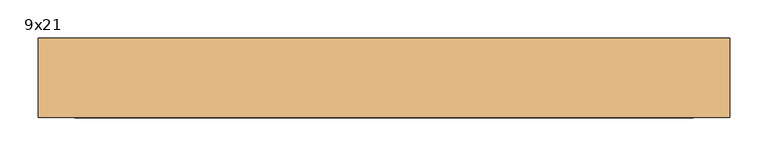
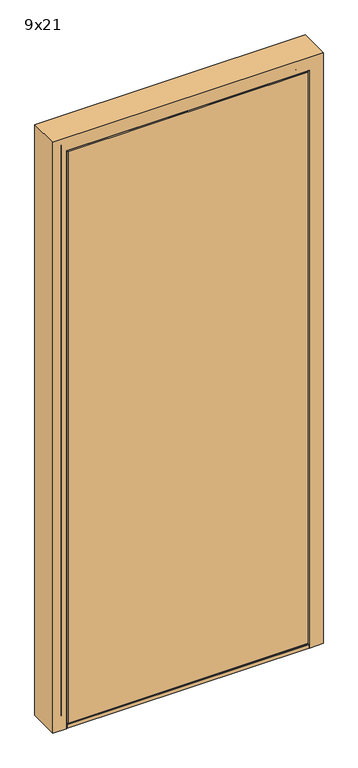
"""IFC4 building model written with IfcOpenShell, lengths in millimetres: door geometry, 9x21."""

from ifc_helpers import new_model, si_unit, frame, origin, place, context, project, spatial, polyline, circle_curve, ellipse_curve, faceted_brep, source, transform, mapped, element, save
from ifc_brep_helpers import plane_surface, cylinder_surface, revolved_surface, advanced_brep


def door_9x21_f053426a(model_context):
    return source(origin(), model_context, "Body", "SolidModel", [
        advanced_brep(
        [(500.0, -185.0, 0.0), (454.0, -185.0, 0.0), (452.0, -183.0, 0.0), (452.0, -143.0, 0.0), (438.0, -143.0, 0.0), (436.0, -141.0, 0.0), (436.0, -82.0, 0.0), (438.0, -80.0, 0.0), (500.0, -80.0, 0.0), (500.0, -80.0, 2100.0), (500.0, -185.0, 2100.0), (438.0, -80.0, 2038.0), (-348.0, -80.0, 2038.0), (-348.0, -80.0, 0.0), (-410.0, -80.0, 0.0), (-410.0, -80.0, 2100.0), (436.0, -82.0, 2036.0), (436.0, -141.0, 2036.0), (438.0, -143.0, 2038.0), (452.0, -143.0, 2052.0), (-362.0, -143.0, 2052.0), (-362.0, -143.0, 0.0), (-348.0, -143.0, 0.0), (-348.0, -143.0, 2038.0), (452.0, -183.0, 2052.0), (454.0, -185.0, 2054.0), (-410.0, -185.0, 2100.0), (-410.0, -185.0, 0.0), (-364.0, -185.0, 0.0), (-364.0, -185.0, 2054.0), (-346.0, -82.0, 0.0), (-346.0, -141.0, 0.0), (-362.0, -183.0, 0.0), (-346.0, -82.0, 2036.0), (-346.0, -141.0, 2036.0), (-362.0, -183.0, 2052.0)],
        [
            (0, 1),
            (1, 2, circle_curve(frame((454.0, -183.0, 0.0), z_axis=(0.0, 0.0, -1.0), x_axis=(0.0, 1.0, 0.0)), 2.0)),
            (2, 3),
            (3, 4),
            (4, 5, circle_curve(frame((438.0, -141.0, 0.0), z_axis=(0.0, 0.0, -1.0), x_axis=(0.0, 1.0, 0.0)), 2.0)),
            (5, 6),
            (6, 7, circle_curve(frame((438.0, -82.0, 0.0), z_axis=(0.0, 0.0, -1.0), x_axis=(0.0, 1.0, 0.0)), 2.0)),
            (7, 8),
            (8, 0),
            (8, 9),
            (9, 10),
            (10, 0),
            (7, 11),
            (11, 12),
            (12, 13),
            (13, 14),
            (14, 15),
            (15, 9),
            (6, 16),
            (16, 11, ellipse_curve(frame((438.0, -82.0, 2038.0), z_axis=(0.7071067811865475, 0.0, -0.7071067811865475), x_axis=(-0.7071067811865474, 0.0, -0.7071067811865476)), 2.8284271, 2.0)),
            (5, 17),
            (17, 16),
            (4, 18),
            (18, 17, ellipse_curve(frame((438.0, -141.0, 2038.0), z_axis=(0.7071067811865475, 0.0, -0.7071067811865475), x_axis=(-0.7071067811865474, 0.0, -0.7071067811865476)), 2.8284271, 2.0)),
            (3, 19),
            (19, 20),
            (20, 21),
            (21, 22),
            (22, 23),
            (23, 18),
            (2, 24),
            (24, 19),
            (1, 25),
            (25, 24, ellipse_curve(frame((454.0, -183.0, 2054.0), z_axis=(0.7071067811865475, 0.0, -0.7071067811865475), x_axis=(-0.7071067811865474, 0.0, -0.7071067811865476)), 2.8284271, 2.0)),
            (10, 26),
            (26, 27),
            (27, 28),
            (28, 29),
            (29, 25),
            (14, 27),
            (26, 15),
            (13, 30, circle_curve(frame((-348.0, -82.0, 0.0), z_axis=(0.0, 0.0, -1.0), x_axis=(0.0, 1.0, 0.0)), 2.0)),
            (30, 31),
            (31, 22, circle_curve(frame((-348.0, -141.0, 0.0), z_axis=(0.0, 0.0, -1.0), x_axis=(0.0, 1.0, 0.0)), 2.0)),
            (21, 32),
            (32, 28, circle_curve(frame((-364.0, -183.0, 0.0), z_axis=(0.0, 0.0, -1.0), x_axis=(0.0, 1.0, 0.0)), 2.0)),
            (33, 30),
            (12, 33, ellipse_curve(frame((-348.0, -82.0, 2038.0), z_axis=(-0.7071067811865475, 0.0, -0.7071067811865475), x_axis=(-0.7071067811865474, 0.0, 0.7071067811865476)), 2.8284271, 2.0)),
            (31, 34),
            (34, 23, ellipse_curve(frame((-348.0, -141.0, 2038.0), z_axis=(-0.7071067811865475, 0.0, -0.7071067811865475), x_axis=(-0.7071067811865474, 0.0, 0.7071067811865476)), 2.8284271, 2.0)),
            (35, 32),
            (20, 35),
            (35, 29, ellipse_curve(frame((-364.0, -183.0, 2054.0), z_axis=(-0.7071067811865475, 0.0, -0.7071067811865475), x_axis=(-0.7071067811865474, 0.0, 0.7071067811865476)), 2.8284271, 2.0)),
            (33, 34),
            (16, 33),
            (17, 34),
            (24, 35),
        ],
        [
            plane_surface(frame((500.0, -185.0, 0.0), z_axis=(0.0, 0.0, -1.0), x_axis=(0.0, 1.0, 0.0))),
            plane_surface(frame((500.0, -185.0, 0.0), z_axis=(1.0, 0.0, 0.0), x_axis=(0.0, 0.0, 1.0))),
            plane_surface(frame((500.0, -80.0, 0.0), z_axis=(0.0, 1.0, 0.0), x_axis=(0.0, 0.0, 1.0))),
            cylinder_surface(frame((438.0, -82.0, 0.0), z_axis=(0.0, 0.0, -1.0), x_axis=(0.0, 1.0, 0.0)), 2.0),
            plane_surface(frame((436.0, -82.0, 0.0), z_axis=(-1.0, 0.0, 0.0), x_axis=(0.0, 0.0, 1.0))),
            cylinder_surface(frame((438.0, -141.0, 0.0), z_axis=(0.0, 0.0, -1.0), x_axis=(0.0, 1.0, 0.0)), 2.0),
            plane_surface(frame((438.0, -143.0, 0.0), z_axis=(0.0, -1.0, 0.0), x_axis=(0.0, 0.0, 1.0))),
            plane_surface(frame((452.0, -143.0, 0.0), z_axis=(-1.0, 0.0, 0.0), x_axis=(0.0, 0.0, 1.0))),
            cylinder_surface(frame((454.0, -183.0, 0.0), z_axis=(0.0, 0.0, -1.0), x_axis=(0.0, 1.0, 0.0)), 2.0),
            plane_surface(frame((454.0, -185.0, 0.0), z_axis=(0.0, -1.0, 0.0), x_axis=(0.0, 0.0, 1.0))),
            plane_surface(frame((-410.0, -185.0, 2100.0), z_axis=(-1.0, 0.0, 0.0), x_axis=(0.0, 0.0, -1.0))),
            plane_surface(frame((-410.0, -185.0, 0.0), z_axis=(0.0, 0.0, -1.0), x_axis=(0.0, 1.0, 0.0))),
            cylinder_surface(frame((-348.0, -82.0, 2100.0), z_axis=(0.0, 0.0, 1.0), x_axis=(0.0, 1.0, 0.0)), 2.0),
            cylinder_surface(frame((-348.0, -141.0, 2100.0), z_axis=(0.0, 0.0, 1.0), x_axis=(0.0, 1.0, 0.0)), 2.0),
            plane_surface(frame((-362.0, -143.0, 2052.0), z_axis=(1.0, 0.0, 0.0), x_axis=(0.0, 0.0, -1.0))),
            cylinder_surface(frame((-364.0, -183.0, 2100.0), z_axis=(0.0, 0.0, 1.0), x_axis=(0.0, 1.0, 0.0)), 2.0),
            plane_surface(frame((-346.0, -82.0, 2036.0), z_axis=(1.0, 0.0, 0.0), x_axis=(0.0, 0.0, -1.0))),
            plane_surface(frame((500.0, -185.0, 2100.0), z_axis=(0.0, 0.0, 1.0), x_axis=(-1.0, 0.0, 0.0))),
            cylinder_surface(frame((500.0, -82.0, 2038.0), z_axis=(1.0, 0.0, 0.0), x_axis=(0.0, 1.0, 0.0)), 2.0),
            plane_surface(frame((436.0, -82.0, 2036.0), z_axis=(0.0, 0.0, -1.0), x_axis=(-1.0, 0.0, 0.0))),
            cylinder_surface(frame((500.0, -141.0, 2038.0), z_axis=(1.0, 0.0, 0.0), x_axis=(0.0, 1.0, 0.0)), 2.0),
            plane_surface(frame((452.0, -143.0, 2052.0), z_axis=(0.0, 0.0, -1.0), x_axis=(-1.0, 0.0, 0.0))),
            cylinder_surface(frame((500.0, -183.0, 2054.0), z_axis=(1.0, 0.0, 0.0), x_axis=(0.0, 1.0, 0.0)), 2.0),
        ],
        [
            (0, [[1, 2, 3, 4, 5, 6, 7, 8, 9]]),
            (1, [[10, 11, 12, -9]]),
            (2, [[13, 14, 15, 16, 17, 18, -10, -8]]),
            (3, [[19, 20, -13, -7]]),
            (4, [[21, 22, -19, -6]]),
            (5, [[23, 24, -21, -5]]),
            (6, [[25, 26, 27, 28, 29, 30, -23, -4]]),
            (7, [[31, 32, -25, -3]]),
            (8, [[33, 34, -31, -2]]),
            (9, [[-12, 35, 36, 37, 38, 39, -33, -1]]),
            (10, [[-17, 40, -36, 41]]),
            (11, [[-40, -16, 42, 43, 44, -28, 45, 46, -37]]),
            (12, [[47, -42, -15, 48]]),
            (13, [[-29, -44, 49, 50]]),
            (14, [[51, -45, -27, 52]]),
            (15, [[-38, -46, -51, 53]]),
            (16, [[-49, -43, -47, 54]]),
            (17, [[-18, -41, -35, -11]]),
            (18, [[55, -48, -14, -20]]),
            (19, [[56, -54, -55, -22]]),
            (20, [[-30, -50, -56, -24]]),
            (21, [[57, -52, -26, -32]]),
            (22, [[-39, -53, -57, -34]]),
        ],
    ),
        advanced_brep(
        [(-362.0, -143.0, 15.0), (-362.0, -143.0, 0.0), (-362.0, -185.0, 0.0), (-362.0, -185.0, 13.0), (-362.0, -183.0, 15.0), (452.0, -185.0, 0.0), (452.0, -143.0, 0.0), (452.0, -143.0, 15.0), (452.0, -183.0, 15.0), (452.0, -185.0, 13.0), (-346.0, -82.0, 27.0), (-346.0, -141.0, 27.0), (436.0, -141.0, 27.0), (436.0, -82.0, 27.0), (-346.0, -143.0, 25.0), (-346.0, -143.0, 15.0), (436.0, -143.0, 15.0), (436.0, -143.0, 25.0), (-346.0, -143.0, 0.0), (-346.0, -80.0, 0.0), (436.0, -80.0, 0.0), (436.0, -143.0, 0.0), (-346.0, -80.0, 25.0), (436.0, -80.0, 25.0)],
        [
            (0, 1),
            (1, 2),
            (2, 3),
            (3, 4, circle_curve(frame((-362.0, -183.0, 13.0), z_axis=(-1.0, 0.0, 0.0), x_axis=(0.0, 1.0, 0.0)), 2.0)),
            (4, 0),
            (5, 6),
            (6, 7),
            (7, 8),
            (8, 9, circle_curve(frame((452.0, -183.0, 13.0), z_axis=(1.0, 0.0, 0.0), x_axis=(0.0, 1.0, 0.0)), 2.0)),
            (9, 5),
            (10, 11),
            (11, 12),
            (12, 13),
            (13, 10),
            (14, 15),
            (15, 16),
            (16, 17),
            (17, 14),
            (4, 8),
            (7, 16),
            (15, 0),
            (2, 5),
            (9, 3),
            (1, 18),
            (18, 19),
            (19, 20),
            (20, 21),
            (21, 6),
            (19, 22),
            (22, 23),
            (23, 20),
            (23, 13, circle_curve(frame((436.0, -82.0, 25.0), z_axis=(1.0, 0.0, 0.0), x_axis=(0.0, 1.0, 0.0)), 2.0)),
            (12, 17, circle_curve(frame((436.0, -141.0, 25.0), z_axis=(1.0, 0.0, 0.0), x_axis=(0.0, 1.0, 0.0)), 2.0)),
            (16, 21),
            (15, 18),
            (14, 11, circle_curve(frame((-346.0, -141.0, 25.0), z_axis=(-1.0, 0.0, 0.0), x_axis=(0.0, 1.0, 0.0)), 2.0)),
            (10, 22, circle_curve(frame((-346.0, -82.0, 25.0), z_axis=(-1.0, 0.0, 0.0), x_axis=(0.0, 1.0, 0.0)), 2.0)),
        ],
        [
            plane_surface(frame((-362.0, -80.0, 25.0), z_axis=(-1.0, 0.0, 0.0), x_axis=(0.0, 0.0, 1.0))),
            plane_surface(frame((452.0, -80.0, 25.0), z_axis=(1.0, 0.0, 0.0), x_axis=(0.0, 0.0, -1.0))),
            plane_surface(frame((-362.0, -82.0, 27.0), z_axis=(0.0, 0.0, 1.0), x_axis=(1.0, 0.0, 0.0))),
            plane_surface(frame((-362.0, -143.0, 25.0), z_axis=(0.0, -1.0, 0.0), x_axis=(1.0, 0.0, 0.0))),
            plane_surface(frame((-362.0, -143.0, 15.0), z_axis=(0.0, 0.0, 1.0), x_axis=(1.0, 0.0, 0.0))),
            plane_surface(frame((-362.0, -185.0, 13.0), z_axis=(0.0, -1.0, 0.0), x_axis=(1.0, 0.0, 0.0))),
            plane_surface(frame((-362.0, -185.0, 0.0), z_axis=(0.0, 0.0, -1.0), x_axis=(1.0, 0.0, 0.0))),
            plane_surface(frame((-362.0, -80.0, 0.0), z_axis=(0.0, 1.0, 0.0), x_axis=(1.0, 0.0, 0.0))),
            plane_surface(frame((436.0, -143.0, 27.0), z_axis=(1.0, 0.0, 0.0), x_axis=(0.0, 0.0, -1.0))),
            plane_surface(frame((452.0, -143.0, 27.0), z_axis=(0.0, 1.0, 0.0), x_axis=(0.0, 0.0, -1.0))),
            plane_surface(frame((-346.0, -143.0, 27.0), z_axis=(0.0, 1.0, 0.0), x_axis=(0.0, 0.0, -1.0))),
            plane_surface(frame((-346.0, -80.0, 27.0), z_axis=(-1.0, 0.0, 0.0), x_axis=(0.0, 0.0, -1.0))),
            cylinder_surface(frame((452.0, -82.0, 25.0), z_axis=(-1.0, 0.0, 0.0), x_axis=(0.0, 1.0, 0.0)), 2.0),
            cylinder_surface(frame((452.0, -141.0, 25.0), z_axis=(-1.0, 0.0, 0.0), x_axis=(0.0, 1.0, 0.0)), 2.0),
            cylinder_surface(frame((452.0, -183.0, 13.0), z_axis=(-1.0, 0.0, 0.0), x_axis=(0.0, 1.0, 0.0)), 2.0),
        ],
        [
            (0, [[1, 2, 3, 4, 5]]),
            (1, [[6, 7, 8, 9, 10]]),
            (2, [[11, 12, 13, 14]]),
            (3, [[15, 16, 17, 18]]),
            (4, [[19, -8, 20, -16, 21, -5]]),
            (5, [[22, -10, 23, -3]]),
            (6, [[-2, 24, 25, 26, 27, 28, -6, -22]]),
            (7, [[29, 30, 31, -26]]),
            (8, [[-27, -31, 32, -13, 33, -17, 34]]),
            (9, [[-20, -7, -28, -34]]),
            (10, [[-24, -1, -21, 35]]),
            (11, [[-15, 36, -11, 37, -29, -25, -35]]),
            (12, [[-32, -30, -37, -14]]),
            (13, [[-33, -12, -36, -18]]),
            (14, [[-23, -9, -19, -4]]),
        ],
    ),
        faceted_brep([(450.0468149, -147.5, 18.0), (450.0468149, -179.5, 18.0), (448.9468149, -185.0, 18.0), (-358.9468149, -185.0, 18.0), (-360.0468149, -179.5, 18.0), (-360.0468149, -147.5, 18.0), (450.0468149, -147.5, 2049.0), (-360.0468149, -147.5, 2049.0), (-340.0, -147.5, 2029.0), (-340.0, -147.5, 38.0), (430.0, -147.5, 38.0), (430.0, -147.5, 2029.0), (-360.0468149, -179.5, 2049.0), (-358.9468149, -185.0, 2049.0), (448.9468149, -185.0, 2049.0), (450.0468149, -179.5, 2049.0), (-346.0, -123.0, 2035.0), (436.0, -123.0, 2035.0), (436.0, -123.0, 32.0), (-346.0, -123.0, 32.0), (-346.0, -144.5, 2035.0), (-346.0, -144.5, 32.0), (436.0, -144.5, 32.0), (436.0, -144.5, 2035.0), (430.0, -144.5, 2029.0), (430.0, -144.5, 38.0), (-340.0, -144.5, 38.0), (-340.0, -144.5, 2029.0)], [[[0, 1, 2, 3, 4, 5]], [[6, 0, 5, 7], [8, 9, 10, 11]], [[5, 4, 12, 7]], [[12, 4, 3, 13]], [[13, 3, 2, 14]], [[14, 2, 1, 15]], [[15, 1, 0, 6]], [[16, 17, 18, 19]], [[20, 16, 19, 21]], [[22, 18, 17, 23]], [[7, 12, 13, 14, 15, 6]], [[18, 22, 21, 19]], [[23, 20, 21, 22], [24, 25, 26, 27]], [[11, 10, 25, 24]], [[26, 25, 10, 9]], [[27, 26, 9, 8]], [[11, 24, 27, 8]], [[16, 20, 23, 17]]]),
        advanced_brep(
        [(442.5468149, -143.0, 2041.5468149), (442.5468149, -143.0, 25.4531851), (441.0468149, -141.5, 26.9531851), (441.0468149, -141.5, 2040.0468149), (-352.5468149, -143.0, 25.4531851), (-351.0468149, -141.5, 26.9531851), (-350.8263343, -139.1541825, 27.1736657), (440.8263343, -139.1541825, 27.1736657), (-352.5468149, -143.0, 2041.5468149), (-351.0468149, -141.5, 2040.0468149), (448.2207885, -143.3010724, 19.7792115), (-358.2207885, -143.3010724, 19.7792115), (448.2207885, -143.3010724, 2047.2207885), (-358.2207885, -143.3010724, 2047.2207885), (447.5213131, -147.2481121, 20.4786869), (-357.5213131, -147.2481121, 20.4786869), (447.5213131, -147.2481121, 2046.5213131), (-357.5213131, -147.2481121, 2046.5213131), (440.489551, -147.4434505, 27.510449), (-350.489551, -147.4434505, 27.510449), (440.489551, -147.4434505, 2039.489551), (-350.489551, -147.4434505, 2039.489551), (431.0702573, -147.4434505, 36.9297427), (-341.0702573, -147.4434505, 36.9297427), (-341.0702573, -147.4434505, 2030.0702573), (431.0702573, -147.4434505, 2030.0702573), (430.377437, -146.2434505, 2029.377437), (430.377437, -146.2434505, 37.622563), (-340.377437, -146.2434505, 37.622563), (-340.377437, -146.2434505, 2029.377437), (431.3840186, -144.5, 36.6159814), (-341.3840186, -144.5, 36.6159814), (431.3840186, -144.5, 2030.3840186), (-341.3840186, -144.5, 2030.3840186), (436.0, -144.5, 32.0), (-346.0, -144.5, 32.0), (-346.0, -144.5, 2035.0), (436.0, -144.5, 2035.0), (436.0, -142.4762942, 2035.0), (436.0, -142.4762942, 32.0), (-346.0, -142.4762942, 32.0), (-346.0, -142.4762942, 2035.0), (436.0798941, -138.9043699, 31.9201059), (-346.0798941, -138.9043699, 31.9201059), (436.0798941, -138.9043699, 2035.0798941), (-346.0798941, -138.9043699, 2035.0798941), (440.8263343, -139.1541825, 2039.8263343), (-350.8263343, -139.1541825, 2039.8263343)],
        [
            (0, 1),
            (1, 2, ellipse_curve(frame((442.5468149, -141.5, 25.4531851), z_axis=(-0.7071067811865475, 0.0, -0.7071067811865475), x_axis=(0.7071067811865474, 0.0, -0.7071067811865476)), 2.1213203, 1.5)),
            (2, 3),
            (3, 0, ellipse_curve(frame((442.5468149, -141.5, 2041.5468149), z_axis=(-0.7071067811865475, 0.0, 0.7071067811865475), x_axis=(-0.7071067811865474, 0.0, -0.7071067811865476)), 2.1213203, 1.5)),
            (1, 4),
            (4, 5, ellipse_curve(frame((-352.5468149, -141.5, 25.4531851), z_axis=(-0.7071067811865475, 0.0, 0.7071067811865475), x_axis=(-0.7071067811865476, 0.0, -0.7071067811865474)), 2.1213203, 1.5)),
            (5, 2),
            (5, 6),
            (6, 7),
            (7, 2),
            (4, 8),
            (8, 9, ellipse_curve(frame((-352.5468149, -141.5, 2041.5468149), z_axis=(0.7071067811865475, 0.0, 0.7071067811865475), x_axis=(-0.7071067811865474, 0.0, 0.7071067811865476)), 2.1213203, 1.5)),
            (9, 5),
            (10, 11),
            (11, 4),
            (1, 10),
            (12, 10),
            (0, 12),
            (11, 13),
            (13, 8),
            (14, 15),
            (15, 11, ellipse_curve(frame((-357.4757363, -145.2045365, 20.5242637), z_axis=(0.7071067811865475, 0.0, -0.7071067811865475), x_axis=(0.7071067811865476, 0.0, 0.7071067811865474)), 2.890771, 2.0440838)),
            (10, 14, ellipse_curve(frame((447.4757363, -145.2045365, 20.5242637), z_axis=(-0.7071067811865475, 0.0, -0.7071067811865475), x_axis=(0.7071067811865476, 0.0, -0.7071067811865474)), 2.890771, 2.0440838)),
            (16, 14),
            (12, 16, ellipse_curve(frame((447.4757363, -145.2045365, 2046.4757363), z_axis=(0.7071067811865475, 0.0, -0.7071067811865475), x_axis=(0.7071067811865474, 0.0, 0.7071067811865476)), 2.890771, 2.0440838)),
            (15, 17),
            (17, 13, ellipse_curve(frame((-357.4757363, -145.2045365, 2046.4757363), z_axis=(-0.7071067811865475, 0.0, -0.7071067811865475), x_axis=(0.7071067811865474, 0.0, -0.7071067811865476)), 2.890771, 2.0440838)),
            (18, 19),
            (19, 15),
            (14, 18),
            (20, 18),
            (16, 20),
            (19, 21),
            (21, 17),
            (20, 21),
            (22, 23),
            (23, 24),
            (24, 25),
            (25, 22),
            (26, 27),
            (27, 22, ellipse_curve(frame((431.0702573, -146.6434505, 36.9297427), z_axis=(0.7071067811865475, 0.0, 0.7071067811865475), x_axis=(-0.7071067811865474, 0.0, 0.7071067811865476)), 1.1313708, 0.8)),
            (25, 26, ellipse_curve(frame((431.0702573, -146.6434505, 2030.0702573), z_axis=(0.7071067811865475, 0.0, -0.7071067811865475), x_axis=(0.7071067811865474, 0.0, 0.7071067811865476)), 1.1313708, 0.8)),
            (27, 28),
            (28, 23, ellipse_curve(frame((-341.0702573, -146.6434505, 36.9297427), z_axis=(0.7071067811865475, 0.0, -0.7071067811865475), x_axis=(0.7071067811865476, 0.0, 0.7071067811865474)), 1.1313708, 0.8)),
            (28, 29),
            (29, 24, ellipse_curve(frame((-341.0702573, -146.6434505, 2030.0702573), z_axis=(-0.7071067811865475, 0.0, -0.7071067811865475), x_axis=(0.7071067811865474, 0.0, -0.7071067811865476)), 1.1313708, 0.8)),
            (30, 31),
            (31, 28),
            (27, 30),
            (32, 30),
            (26, 32),
            (31, 33),
            (33, 29),
            (34, 35),
            (35, 36),
            (36, 37),
            (37, 34),
            (32, 33),
            (38, 39),
            (39, 34),
            (37, 38),
            (39, 40),
            (40, 35),
            (40, 41),
            (41, 36),
            (42, 43),
            (43, 40),
            (39, 42),
            (44, 42),
            (38, 44),
            (43, 45),
            (45, 41),
            (6, 43, ellipse_curve(frame((-348.4085978, -139.8750873, 29.5914022), z_axis=(0.7071067811865475, 0.0, -0.7071067811865475), x_axis=(0.7071067811865476, 0.0, 0.7071067811865474)), 3.5679555, 2.5229256)),
            (42, 7, ellipse_curve(frame((438.4085978, -139.8750873, 29.5914022), z_axis=(-0.7071067811865475, 0.0, -0.7071067811865475), x_axis=(0.7071067811865476, 0.0, -0.7071067811865474)), 3.5679555, 2.5229256)),
            (46, 7),
            (44, 46, ellipse_curve(frame((438.4085978, -139.8750873, 2037.4085978), z_axis=(0.7071067811865475, 0.0, -0.7071067811865475), x_axis=(0.7071067811865474, 0.0, 0.7071067811865476)), 3.5679555, 2.5229256)),
            (6, 47),
            (47, 45, ellipse_curve(frame((-348.4085978, -139.8750873, 2037.4085978), z_axis=(-0.7071067811865475, 0.0, -0.7071067811865475), x_axis=(0.7071067811865474, 0.0, -0.7071067811865476)), 3.5679555, 2.5229256)),
            (46, 3),
            (9, 47),
            (8, 0),
            (3, 9),
            (13, 12),
            (17, 16),
            (29, 26),
            (41, 38),
            (45, 44),
            (47, 46),
        ],
        [
            revolved_surface(polyline([(442.5468149, -143.0, 23.95318513080133), (442.5468149, -143.0, 2043.0468148691987)]), (442.5468149, -141.5, 2025.5), (0.0, 0.0, -1.0)),
            revolved_surface(polyline([(-354.04681486919924, -143.0, 25.4531851), (444.0468148691987, -143.0, 25.4531851)]), (426.5, -141.5, 25.4531851), (-1.0000000000000002, 0.0, 0.0)),
            plane_surface(frame((440.8263343, -139.1541825, 27.1736657), z_axis=(0.0, 0.09357641007084004, -0.9956121009099146), x_axis=(-1.0, 0.0, 0.0))),
            revolved_surface(polyline([(-352.5468149, -143.0, 2043.0468148691987), (-352.5468149, -143.0, 23.95318513080132)]), (-352.5468149, -141.5, 41.5), (0.0, 0.0, 1.0)),
            plane_surface(frame((442.5468149, -143.0, 25.4531851), z_axis=(0.0, 0.9985951781835676, -0.05298745236873386), x_axis=(-1.0, 0.0, 0.0))),
            plane_surface(frame((442.5468149, -143.0, 2041.5468149), z_axis=(0.05298745236873669, 0.9985951781835675, 0.0), x_axis=(0.0, 0.0, -1.0))),
            plane_surface(frame((-352.5468149, -143.0, 25.4531851), z_axis=(-0.05298745236873101, 0.9985951781835678, 0.0), x_axis=(0.0, 0.0, 1.0))),
            cylinder_surface(frame((426.5, -145.2045365, 20.5242637), z_axis=(1.0000000000000002, 0.0, 0.0), x_axis=(0.0, -1.0000000000000002, 0.0)), 2.0440838),
            cylinder_surface(frame((447.4757363, -145.2045365, 2025.5), z_axis=(0.0, 0.0, 1.0), x_axis=(0.0, -1.0000000000000002, 0.0)), 2.0440838),
            cylinder_surface(frame((-357.4757363, -145.2045365, 41.5), z_axis=(0.0, 0.0, -1.0), x_axis=(0.0, -1.0000000000000002, 0.0)), 2.0440838),
            plane_surface(frame((447.5213131, -147.2481121, 20.4786869), z_axis=(0.0, -0.9996143745976422, -0.027768725173559834), x_axis=(-1.0, 0.0, 0.0))),
            plane_surface(frame((447.5213131, -147.2481121, 2046.5213131), z_axis=(0.027768725173556986, -0.9996143745976424, 0.0), x_axis=(0.0, 0.0, -1.0))),
            plane_surface(frame((-357.5213131, -147.2481121, 20.4786869), z_axis=(-0.02776872517356267, -0.9996143745976421, 0.0), x_axis=(0.0, 0.0, 1.0))),
            plane_surface(frame((440.489551, -147.4434505, 2039.489551), z_axis=(0.0, -1.0, 0.0), x_axis=(0.0, 0.0, -1.0))),
            cylinder_surface(frame((431.0702573, -146.6434505, 2025.5), z_axis=(0.0, 0.0, 1.0), x_axis=(0.0, -1.0000000000000002, 0.0)), 0.8),
            cylinder_surface(frame((426.5, -146.6434505, 36.9297427), z_axis=(1.0000000000000002, 0.0, 0.0), x_axis=(0.0, -1.0000000000000002, 0.0)), 0.8),
            cylinder_surface(frame((-341.0702573, -146.6434505, 41.5), z_axis=(0.0, 0.0, -1.0), x_axis=(0.0, -1.0000000000000002, 0.0)), 0.8),
            plane_surface(frame((430.377437, -146.2434505, 37.622563), z_axis=(0.0, 0.49999999999999006, 0.8660254037844444), x_axis=(-1.0, 0.0, 0.0))),
            plane_surface(frame((430.377437, -146.2434505, 2029.377437), z_axis=(-0.8660254037844429, 0.4999999999999926, 0.0), x_axis=(0.0, 0.0, -1.0))),
            plane_surface(frame((-340.377437, -146.2434505, 37.622563), z_axis=(0.8660254037844458, 0.49999999999998773, 0.0), x_axis=(0.0, 0.0, 1.0))),
            plane_surface(frame((431.3840186, -144.5, 2030.3840186), z_axis=(0.0, 1.0, 0.0), x_axis=(0.0, 0.0, -1.0))),
            plane_surface(frame((436.0, -144.5, 2035.0), z_axis=(-1.0, 0.0, 0.0), x_axis=(0.0, 0.0, -1.0))),
            plane_surface(frame((436.0, -144.5, 32.0), z_axis=(0.0, 0.0, 1.0), x_axis=(-1.0, 0.0, 0.0))),
            plane_surface(frame((-346.0, -144.5, 32.0), z_axis=(1.0, 0.0, 0.0), x_axis=(0.0, 0.0, 1.0))),
            plane_surface(frame((436.0, -142.4762942, 32.0), z_axis=(0.0, 0.022361661592416582, 0.9997499467821073), x_axis=(-1.0, 0.0, 0.0))),
            plane_surface(frame((436.0, -142.4762942, 2035.0), z_axis=(-0.9997499467821072, 0.022361661592419427, 0.0), x_axis=(0.0, 0.0, -1.0))),
            plane_surface(frame((-346.0, -142.4762942, 32.0), z_axis=(0.9997499467821074, 0.022361661592413744, 0.0), x_axis=(0.0, 0.0, 1.0))),
            cylinder_surface(frame((426.5, -139.8750873, 29.5914022), z_axis=(1.0000000000000002, 0.0, 0.0), x_axis=(0.0, -1.0000000000000002, 0.0)), 2.5229256),
            cylinder_surface(frame((438.4085978, -139.8750873, 2025.5), z_axis=(0.0, 0.0, 1.0), x_axis=(0.0, -1.0000000000000002, 0.0)), 2.5229256),
            cylinder_surface(frame((-348.4085978, -139.8750873, 41.5), z_axis=(0.0, 0.0, -1.0), x_axis=(0.0, -1.0000000000000002, 0.0)), 2.5229256),
            plane_surface(frame((440.8263343, -139.1541825, 2039.8263343), z_axis=(0.9956121009099149, 0.09357641007083722, 0.0), x_axis=(0.0, 0.0, -1.0))),
            plane_surface(frame((-350.8263343, -139.1541825, 27.1736657), z_axis=(-0.9956121009099144, 0.0935764100708429, 0.0), x_axis=(0.0, 0.0, 1.0))),
            revolved_surface(polyline([(444.04681486919924, -143.0, 2041.5468149), (-354.0468148691987, -143.0, 2041.5468149)]), (-336.5, -141.5, 2041.5468149), (1.0000000000000002, 0.0, 0.0)),
            plane_surface(frame((-352.5468149, -143.0, 2041.5468149), z_axis=(0.0, 0.9985951781835676, 0.05298745236873386), x_axis=(1.0, 0.0, 0.0))),
            cylinder_surface(frame((-336.5, -145.2045365, 2046.4757363), z_axis=(-1.0000000000000002, 0.0, 0.0), x_axis=(0.0, -1.0000000000000002, 0.0)), 2.0440838),
            plane_surface(frame((-357.5213131, -147.2481121, 2046.5213131), z_axis=(0.0, -0.9996143745976422, 0.027768725173559834), x_axis=(1.0, 0.0, 0.0))),
            cylinder_surface(frame((-336.5, -146.6434505, 2030.0702573), z_axis=(-1.0000000000000002, 0.0, 0.0), x_axis=(0.0, -1.0000000000000002, 0.0)), 0.8),
            plane_surface(frame((-340.377437, -146.2434505, 2029.377437), z_axis=(0.0, 0.49999999999999006, -0.8660254037844444), x_axis=(1.0, 0.0, 0.0))),
            plane_surface(frame((-346.0, -144.5, 2035.0), z_axis=(0.0, 0.0, -1.0), x_axis=(1.0, 0.0, 0.0))),
            plane_surface(frame((-346.0, -142.4762942, 2035.0), z_axis=(0.0, 0.022361661592416582, -0.9997499467821073), x_axis=(1.0, 0.0, 0.0))),
            cylinder_surface(frame((-336.5, -139.8750873, 2037.4085978), z_axis=(-1.0000000000000002, 0.0, 0.0), x_axis=(0.0, -1.0000000000000002, 0.0)), 2.5229256),
            plane_surface(frame((-350.8263343, -139.1541825, 2039.8263343), z_axis=(0.0, 0.09357641007084005, 0.9956121009099147), x_axis=(1.0, 0.0, 0.0))),
        ],
        [
            (0, [[1, 2, 3, 4]]),
            (1, [[5, 6, 7, -2]]),
            (2, [[-7, 8, 9, 10]]),
            (3, [[11, 12, 13, -6]]),
            (4, [[14, 15, -5, 16]]),
            (5, [[17, -16, -1, 18]]),
            (6, [[19, 20, -11, -15]]),
            (7, [[21, 22, -14, 23]]),
            (8, [[24, -23, -17, 25]]),
            (9, [[26, 27, -19, -22]]),
            (10, [[28, 29, -21, 30]]),
            (11, [[31, -30, -24, 32]]),
            (12, [[33, 34, -26, -29]]),
            (13, [[-28, -31, 35, -33], [36, 37, 38, 39]]),
            (14, [[40, 41, -39, 42]]),
            (15, [[43, 44, -36, -41]]),
            (16, [[45, 46, -37, -44]]),
            (17, [[47, 48, -43, 49]]),
            (18, [[50, -49, -40, 51]]),
            (19, [[52, 53, -45, -48]]),
            (20, [[54, 55, 56, 57], [-47, -50, 58, -52]]),
            (21, [[59, 60, -57, 61]]),
            (22, [[62, 63, -54, -60]]),
            (23, [[64, 65, -55, -63]]),
            (24, [[66, 67, -62, 68]]),
            (25, [[69, -68, -59, 70]]),
            (26, [[71, 72, -64, -67]]),
            (27, [[-9, 73, -66, 74]]),
            (28, [[75, -74, -69, 76]]),
            (29, [[77, 78, -71, -73]]),
            (30, [[-3, -10, -75, 79]]),
            (31, [[-13, 80, -77, -8]]),
            (32, [[81, -4, 82, -12]]),
            (33, [[83, -18, -81, -20]]),
            (34, [[84, -25, -83, -27]]),
            (35, [[-35, -32, -84, -34]]),
            (36, [[85, -42, -38, -46]]),
            (37, [[-58, -51, -85, -53]]),
            (38, [[86, -61, -56, -65]]),
            (39, [[87, -70, -86, -72]]),
            (40, [[88, -76, -87, -78]]),
            (41, [[-82, -79, -88, -80]]),
        ],
    ),
    ])


if __name__ == "__main__":
    model = new_model("IFC4")
    model_context = context("Model", 3, world=origin())
    ifc_project = project(units=[si_unit("LENGTHUNIT", "METRE", prefix="MILLI")], contexts=[model_context])
    site = spatial("IfcSite", under=ifc_project)
    building = spatial("IfcBuilding", under=site)
    placement = place(None, origin())
    door_9x21_shape = door_9x21_f053426a(model_context)
    element("IfcDoor", 1, ObjectType="9x21", at=placement, inside=building, context=model_context, shape_type="MappedRepresentation", body=[
        mapped(door_9x21_shape, transform((0.0, 0.0, 0.0), x_axis=(1.0, 0.0, 0.0), y_axis=(0.0, 1.0, 0.0), z_axis=(0.0, 0.0, 1.0))),
    ])
    save(model, "model.ifc")
